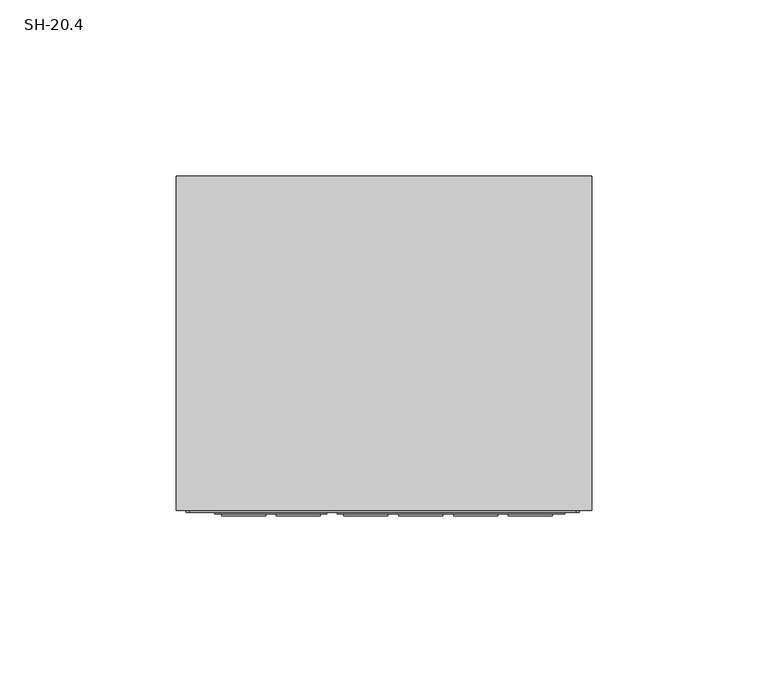
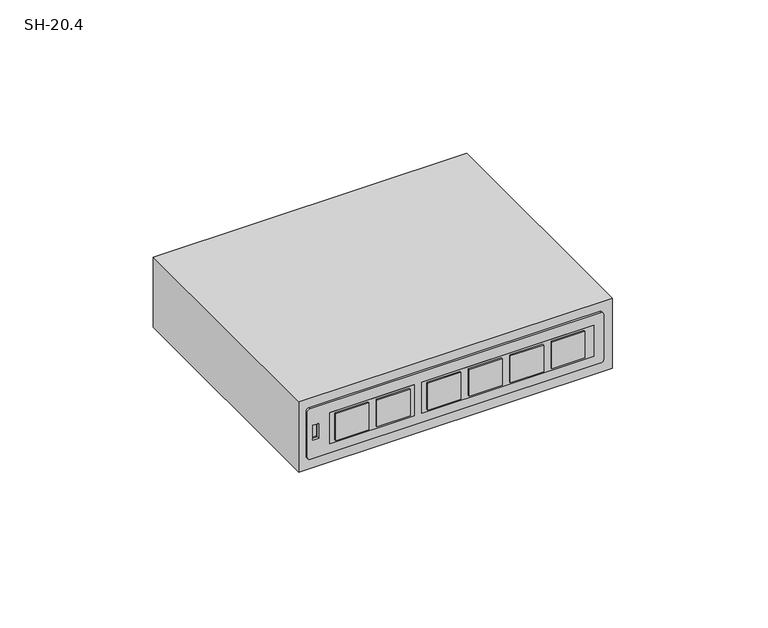
"""IFC4 building model written with IfcOpenShell, lengths in millimetres: proxy geometry, SH-20.4."""

from ifc_helpers import new_model, si_unit, point, frame, frame_2d, origin, place, context, project, spatial, polyline, circle_curve, trimmed, segment, composite_curve, outline, extrude, faceted_brep, source, transform, mapped, element, save


def sh_20_4_b6bcb243(model_context):
    return source(origin(), model_context, "Body", "SolidModel", [
        extrude(outline(composite_curve([segment(polyline([(1024.1059459, 54.3838973), (1024.1059459, -55.1177589)]), True, "CONTINUOUS"), segment(trimmed(circle_curve(frame_2d((1023.1059459, -55.1177589)), 1.0), [point((1024.1059459, -55.1177589))], [point((1023.1059459, -56.1177589))], False, "CARTESIAN"), True, "CONTINUOUS"), segment(polyline([(1023.1059459, -56.1177589), (1005.1059459, -56.1177589)]), True, "CONTINUOUS"), segment(trimmed(circle_curve(frame_2d((1005.1059459, -55.1177589)), 1.0), [point((1005.1059459, -56.1177589))], [point((1004.1059459, -55.1177589))], False, "CARTESIAN"), True, "CONTINUOUS"), segment(polyline([(1004.1059459, -55.1177589), (1004.1059459, 54.3838973)]), True, "CONTINUOUS"), segment(trimmed(circle_curve(frame_2d((1005.1059459, 54.3838973)), 1.0), [point((1004.1059459, 54.3838973))], [point((1005.1059459, 55.3838973))], False, "CARTESIAN"), True, "CONTINUOUS"), segment(polyline([(1005.1059459, 55.3838973), (1023.1059459, 55.3838973)]), True, "CONTINUOUS"), segment(trimmed(circle_curve(frame_2d((1023.1059459, 54.3838973)), 1.0), [point((1023.1059459, 55.3838973))], [point((1024.1059459, 54.3838973))], False, "CARTESIAN"), True, "CONTINUOUS")], self_intersect=False), holes=[polyline([(1017.1692803, -54.0518343), (1017.1692803, -51.8820901), (1011.3204046, -51.8820901), (1011.3204046, -54.0518343), (1017.1692803, -54.0518343)])]), frame((0.0, -95.5, 0.0), z_axis=(0.0, 1.0, 0.0), x_axis=(0.0, 0.0, 1.0)), (0.0, 0.0, 1.0), 1.0),
        extrude(outline(polyline([(47.8035502, -96.5), (35.3268579, -96.5), (35.3268579, -95.0), (47.8035502, -95.0), (47.8035502, -96.5)])), frame((0.0, 0.0, 1008.9900685), z_axis=(0.0, 0.0, 1.0), x_axis=(1.0, 0.0, 0.0)), (0.0, 0.0, 1.0), 10.5975835),
        extrude(outline(polyline([(32.2174858, -96.5), (19.7407936, -96.5), (19.7407936, -95.0), (32.2174858, -95.0), (32.2174858, -96.5)])), frame((0.0, 0.0, 1008.9900685), z_axis=(0.0, 0.0, 1.0), x_axis=(1.0, 0.0, 0.0)), (0.0, 0.0, 1.0), 10.5975835),
        extrude(outline(polyline([(16.6314215, -96.5), (4.1547292, -96.5), (4.1547292, -95.0), (16.6314215, -95.0), (16.6314215, -96.5)])), frame((0.0, 0.0, 1008.9900685), z_axis=(0.0, 0.0, 1.0), x_axis=(1.0, 0.0, 0.0)), (0.0, 0.0, 1.0), 10.5975835),
        extrude(outline(polyline([(1.0453572, -96.5), (-11.4313351, -96.5), (-11.4313351, -95.0), (1.0453572, -95.0), (1.0453572, -96.5)])), frame((0.0, 0.0, 1008.9900685), z_axis=(0.0, 0.0, 1.0), x_axis=(1.0, 0.0, 0.0)), (0.0, 0.0, 1.0), 10.5975835),
        extrude(outline(polyline([(-18.0499328, -96.5), (-30.5266251, -96.5), (-30.5266251, -95.0), (-18.0499328, -95.0), (-18.0499328, -96.5)])), frame((0.0, 0.0, 1008.9900685), z_axis=(0.0, 0.0, 1.0), x_axis=(1.0, 0.0, 0.0)), (0.0, 0.0, 1.0), 10.5975835),
        extrude(outline(polyline([(-33.6359972, -96.5), (-46.1126894, -96.5), (-46.1126894, -95.0), (-33.6359972, -95.0), (-33.6359972, -96.5)])), frame((0.0, 0.0, 1008.9900685), z_axis=(0.0, 0.0, 1.0), x_axis=(1.0, 0.0, 0.0)), (0.0, 0.0, 1.0), 10.5975835),
        extrude(outline(polyline([(51.3682103, -96.0), (-13.2901675, -96.0), (-13.2901675, -95.0), (51.3682103, -95.0), (51.3682103, -96.0)])), frame((0.0, 0.0, 1008.0451607), z_axis=(0.0, 0.0, 1.0), x_axis=(1.0, 0.0, 0.0)), (0.0, 0.0, 1.0), 12.3125),
        extrude(outline(polyline([(-16.2193222, -96.0), (-47.9715218, -96.0), (-47.9715218, -95.0), (-16.2193222, -95.0), (-16.2193222, -96.0)])), frame((0.0, 0.0, 1008.0451607), z_axis=(0.0, 0.0, 1.0), x_axis=(1.0, 0.0, 0.0)), (0.0, 0.0, 1.0), 12.3125),
        faceted_brep([(59.0, 0.0, 1028.0), (-59.0, 0.0, 1028.0), (-59.0, -95.0, 1028.0), (59.0, -95.0, 1028.0), (59.0, 0.0, 1000.0), (59.0, -95.0, 1000.0), (-59.0, -95.0, 1000.0), (-59.0, 0.0, 1000.0), (-54.0518343, -95.0, 1017.1692803), (-51.8820901, -95.0, 1017.1692803), (-51.8820901, -95.0, 1011.3204046), (-54.0518343, -95.0, 1011.3204046), (-51.8820901, -94.0, 1017.1692803), (-54.0518343, -94.0, 1017.1692803), (-54.0518343, -94.0, 1011.3204046), (-51.8820901, -94.0, 1011.3204046)], [[[0, 1, 2, 3]], [[4, 5, 6, 7]], [[1, 0, 4, 7]], [[2, 1, 7, 6]], [[3, 2, 6, 5], [8, 9, 10, 11]], [[0, 3, 5, 4]], [[12, 13, 14, 15]], [[13, 12, 9, 8]], [[14, 13, 8, 11]], [[15, 14, 11, 10]], [[12, 15, 10, 9]]]),
    ])


if __name__ == "__main__":
    model = new_model("IFC4")
    model_context = context("Model", 3, world=origin())
    ifc_project = project(units=[si_unit("LENGTHUNIT", "METRE", prefix="MILLI")], contexts=[model_context])
    site = spatial("IfcSite", under=ifc_project)
    building = spatial("IfcBuilding", under=site)
    placement = place(None, origin())
    sh_20_4_shape = sh_20_4_b6bcb243(model_context)
    element("IfcBuildingElementProxy", 1, Name="SH-20.4", ObjectType="SH-20.4", at=placement, inside=building, context=model_context, shape_type="MappedRepresentation", body=[
        mapped(sh_20_4_shape, transform((0.0, 0.0, 0.0), x_axis=(1.0, 0.0, 0.0), y_axis=(0.0, 1.0, 0.0), z_axis=(0.0, 0.0, 1.0))),
    ])
    save(model, "model.ifc")
